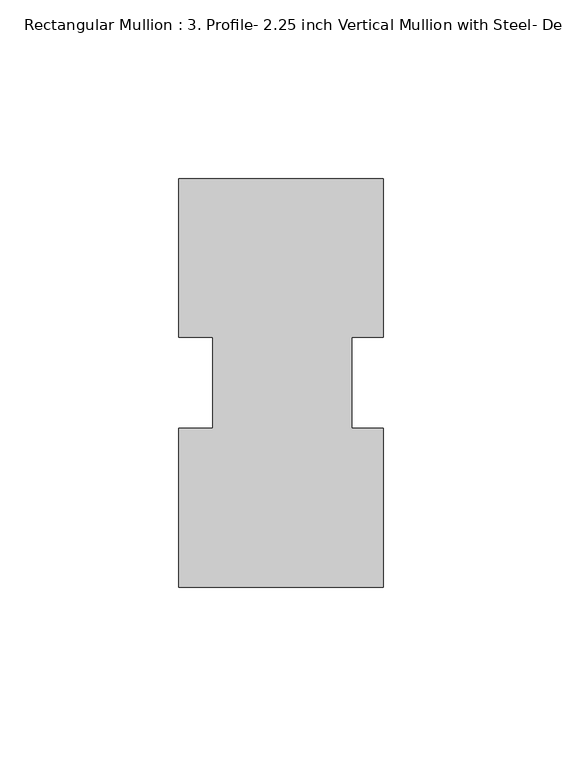
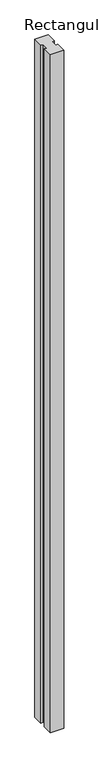
"""IFC4 building model written with IfcOpenShell, lengths in millimetres: member geometry, Rectangular Mullion : 3. Profile- 2.25 inch Vertical Mullion with Steel- Detail-5D."""

from ifc_helpers import new_model, si_unit, frame, origin, place, context, project, spatial, polyline, outline, extrude, source, transform, mapped, element, save


def rectangular_mullion_3_profile_2_25_inch_vertical_mullion_52518880(model_context):
    return source(origin(), model_context, "Body", "SweptSolid", [
        extrude(outline(polyline([(28.575, -80.9625635), (-28.575, -80.9625635), (-28.575, -36.5125635), (-19.05, -36.5125635), (-19.05, -11.0187282), (-28.575, -11.0187282), (-28.575, 33.3374365), (28.575, 33.3374365), (28.575, -11.0187282), (19.84375, -11.0187282), (19.84375, -36.5064265), (28.575, -36.5064265), (28.575, -80.9625635)])), frame((0.0, 0.0, -3048.0), z_axis=(0.0, 0.0, 1.0), x_axis=(1.0, 0.0, 0.0)), (0.0, 0.0, 1.0), 3048.0),
    ])


if __name__ == "__main__":
    model = new_model("IFC4")
    model_context = context("Model", 3, world=origin())
    ifc_project = project(units=[si_unit("LENGTHUNIT", "METRE", prefix="MILLI")], contexts=[model_context])
    site = spatial("IfcSite", under=ifc_project)
    building = spatial("IfcBuilding", under=site)
    placement = place(None, origin())
    rectangular_mullion_3_profile_2_25_inch_vertical_mullion_shape = rectangular_mullion_3_profile_2_25_inch_vertical_mullion_52518880(model_context)
    element("IfcMember", 1, ObjectType="Rectangular Mullion : 3. Profile- 2.25 inch Vertical Mullion with Steel- Detail-5D", at=placement, inside=building, context=model_context, shape_type="MappedRepresentation", body=[
        mapped(rectangular_mullion_3_profile_2_25_inch_vertical_mullion_shape, transform((0.0, 0.0, 0.0), x_axis=(1.0, 0.0, 0.0), y_axis=(0.0, 1.0, 0.0), z_axis=(0.0, 0.0, 1.0))),
    ])
    save(model, "model.ifc")
